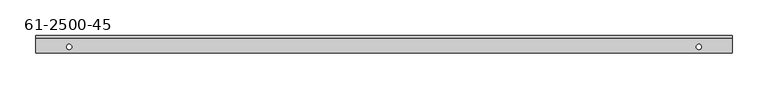
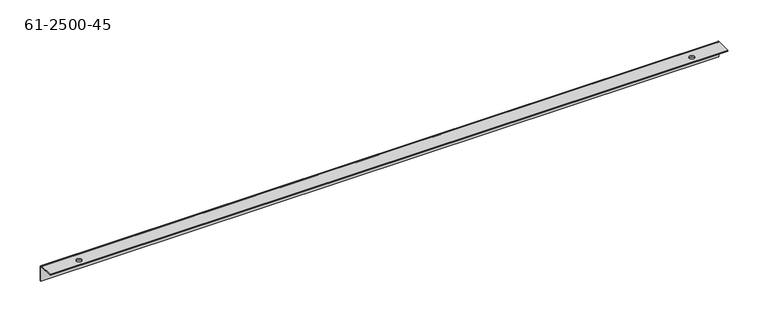
"""IFC4 building model written with IfcOpenShell, lengths in millimetres: proxy geometry, 61-2500-45."""

from ifc_helpers import new_model, si_unit, frame, origin, place, context, project, spatial, polyline, circle_curve, source, transform, mapped, element, save
from ifc_brep_helpers import plane_surface, cylinder_surface, revolved_surface, advanced_brep


def proxy_61_2500_45_d1d3397c(model_context):
    return source(origin(), model_context, "Body", "AdvancedBrep", [
        advanced_brep(
        [(927.0746, 0.2614329, 0.0), (927.0746, 0.2614329, 1.6129), (919.8356, 0.2614329, 1.6129), (919.8356, 0.2614329, 0.0), (49.9364, 0.2614329, 0.0), (49.9364, 0.2614329, 1.6129), (42.6974, 0.2614329, 1.6129), (42.6974, 0.2614329, 0.0), (403.9616, 14.2314329, -12.9446898), (403.9616, 15.8443329, -12.9446898), (400.9136, 15.8443329, -12.9446898), (400.9136, 14.2314329, -12.9446898), (239.0648, 14.2314329, -12.9446898), (239.0648, 15.8443329, -12.9446898), (236.0168, 15.8443329, -12.9446898), (236.0168, 14.2314329, -12.9446898), (74.168, 14.2314329, -12.9446898), (74.168, 15.8443329, -12.9446898), (71.12, 15.8443329, -12.9446898), (71.12, 14.2314329, -12.9446898), (568.8584, 14.2314329, -12.9446898), (568.8584, 15.8443329, -12.9446898), (565.8104, 15.8443329, -12.9446898), (565.8104, 14.2314329, -12.9446898), (733.7552, 14.2314329, -12.9446898), (733.7552, 15.8443329, -12.9446898), (730.7072, 15.8443329, -12.9446898), (730.7072, 14.2314329, -12.9446898), (898.652, 14.2314329, -12.9446898), (898.652, 15.8443329, -12.9446898), (895.604, 15.8443329, -12.9446898), (895.604, 14.2314329, -12.9446898), (969.772, 15.8443329, -1.6129), (0.0, 15.8443329, -1.6129), (0.0, 12.6185329, 1.6129), (969.772, 12.6185329, 1.6129), (0.0, 14.2314329, -1.6129), (969.772, 14.2314329, -1.6129), (969.772, 12.6185329, 0.0), (0.0, 12.6185329, 0.0), (0.0, -8.2856671, 1.6129), (969.772, -8.2856671, 1.6129), (0.0, -8.2856671, 0.0), (969.772, -8.2856671, 0.0), (0.0, 15.8443329, -22.5171), (0.0, 14.2314329, -22.5171), (969.772, 15.8443329, -22.5171), (969.772, 14.2314329, -22.5171)],
        [
            (0, 1),
            (1, 2, circle_curve(frame((923.4551, 0.2614329, 1.6129), z_axis=(0.0, 0.0, 1.0), x_axis=(1.0, 0.0, 0.0)), 3.6195)),
            (2, 3),
            (3, 0, circle_curve(frame((923.4551, 0.2614329, 0.0), z_axis=(0.0, 0.0, -1.0), x_axis=(1.0, 0.0, 0.0)), 3.6195)),
            (4, 5),
            (5, 6, circle_curve(frame((46.3169, 0.2614329, 1.6129), z_axis=(0.0, 0.0, 1.0), x_axis=(1.0, 0.0, 0.0)), 3.6195)),
            (6, 7),
            (7, 4, circle_curve(frame((46.3169, 0.2614329, 0.0), z_axis=(0.0, 0.0, -1.0), x_axis=(1.0, 0.0, 0.0)), 3.6195)),
            (8, 9),
            (9, 10, circle_curve(frame((402.4376, 15.8443329, -12.9446898), z_axis=(0.0, 1.0, 0.0), x_axis=(1.0, 0.0, 0.0)), 1.524)),
            (10, 11),
            (11, 8, circle_curve(frame((402.4376, 14.2314329, -12.9446898), z_axis=(0.0, -1.0, 0.0), x_axis=(1.0, 0.0, 0.0)), 1.524)),
            (12, 13),
            (13, 14, circle_curve(frame((237.5408, 15.8443329, -12.9446898), z_axis=(0.0, 1.0, 0.0), x_axis=(1.0, 0.0, 0.0)), 1.524)),
            (14, 15),
            (15, 12, circle_curve(frame((237.5408, 14.2314329, -12.9446898), z_axis=(0.0, -1.0, 0.0), x_axis=(1.0, 0.0, 0.0)), 1.524)),
            (16, 17),
            (17, 18, circle_curve(frame((72.644, 15.8443329, -12.9446898), z_axis=(0.0, 1.0, 0.0), x_axis=(1.0, 0.0, 0.0)), 1.524)),
            (18, 19),
            (19, 16, circle_curve(frame((72.644, 14.2314329, -12.9446898), z_axis=(0.0, -1.0, 0.0), x_axis=(1.0, 0.0, 0.0)), 1.524)),
            (20, 21),
            (21, 22, circle_curve(frame((567.3344, 15.8443329, -12.9446898), z_axis=(0.0, 1.0, 0.0), x_axis=(1.0, 0.0, 0.0)), 1.524)),
            (22, 23),
            (23, 20, circle_curve(frame((567.3344, 14.2314329, -12.9446898), z_axis=(0.0, -1.0, 0.0), x_axis=(1.0, 0.0, 0.0)), 1.524)),
            (24, 25),
            (25, 26, circle_curve(frame((732.2312, 15.8443329, -12.9446898), z_axis=(0.0, 1.0, 0.0), x_axis=(1.0, 0.0, 0.0)), 1.524)),
            (26, 27),
            (27, 24, circle_curve(frame((732.2312, 14.2314329, -12.9446898), z_axis=(0.0, -1.0, 0.0), x_axis=(1.0, 0.0, 0.0)), 1.524)),
            (28, 29),
            (29, 30, circle_curve(frame((897.128, 15.8443329, -12.9446898), z_axis=(0.0, 1.0, 0.0), x_axis=(1.0, 0.0, 0.0)), 1.524)),
            (30, 31),
            (31, 28, circle_curve(frame((897.128, 14.2314329, -12.9446898), z_axis=(0.0, -1.0, 0.0), x_axis=(1.0, 0.0, 0.0)), 1.524)),
            (28, 31, circle_curve(frame((897.128, 14.2314329, -12.9446898), z_axis=(0.0, -1.0, 0.0), x_axis=(1.0, 0.0, 0.0)), 1.524)),
            (30, 29, circle_curve(frame((897.128, 15.8443329, -12.9446898), z_axis=(0.0, 1.0, 0.0), x_axis=(1.0, 0.0, 0.0)), 1.524)),
            (24, 27, circle_curve(frame((732.2312, 14.2314329, -12.9446898), z_axis=(0.0, -1.0, 0.0), x_axis=(1.0, 0.0, 0.0)), 1.524)),
            (26, 25, circle_curve(frame((732.2312, 15.8443329, -12.9446898), z_axis=(0.0, 1.0, 0.0), x_axis=(1.0, 0.0, 0.0)), 1.524)),
            (20, 23, circle_curve(frame((567.3344, 14.2314329, -12.9446898), z_axis=(0.0, -1.0, 0.0), x_axis=(1.0, 0.0, 0.0)), 1.524)),
            (22, 21, circle_curve(frame((567.3344, 15.8443329, -12.9446898), z_axis=(0.0, 1.0, 0.0), x_axis=(1.0, 0.0, 0.0)), 1.524)),
            (16, 19, circle_curve(frame((72.644, 14.2314329, -12.9446898), z_axis=(0.0, -1.0, 0.0), x_axis=(1.0, 0.0, 0.0)), 1.524)),
            (18, 17, circle_curve(frame((72.644, 15.8443329, -12.9446898), z_axis=(0.0, 1.0, 0.0), x_axis=(1.0, 0.0, 0.0)), 1.524)),
            (12, 15, circle_curve(frame((237.5408, 14.2314329, -12.9446898), z_axis=(0.0, -1.0, 0.0), x_axis=(1.0, 0.0, 0.0)), 1.524)),
            (14, 13, circle_curve(frame((237.5408, 15.8443329, -12.9446898), z_axis=(0.0, 1.0, 0.0), x_axis=(1.0, 0.0, 0.0)), 1.524)),
            (8, 11, circle_curve(frame((402.4376, 14.2314329, -12.9446898), z_axis=(0.0, -1.0, 0.0), x_axis=(1.0, 0.0, 0.0)), 1.524)),
            (10, 9, circle_curve(frame((402.4376, 15.8443329, -12.9446898), z_axis=(0.0, 1.0, 0.0), x_axis=(1.0, 0.0, 0.0)), 1.524)),
            (4, 7, circle_curve(frame((46.3169, 0.2614329, 0.0), z_axis=(0.0, 0.0, -1.0), x_axis=(1.0, 0.0, 0.0)), 3.6195)),
            (6, 5, circle_curve(frame((46.3169, 0.2614329, 1.6129), z_axis=(0.0, 0.0, 1.0), x_axis=(1.0, 0.0, 0.0)), 3.6195)),
            (0, 3, circle_curve(frame((923.4551, 0.2614329, 0.0), z_axis=(0.0, 0.0, -1.0), x_axis=(1.0, 0.0, 0.0)), 3.6195)),
            (2, 1, circle_curve(frame((923.4551, 0.2614329, 1.6129), z_axis=(0.0, 0.0, 1.0), x_axis=(1.0, 0.0, 0.0)), 3.6195)),
            (32, 33),
            (33, 34, circle_curve(frame((0.0, 12.6185329, -1.6129), z_axis=(1.0, 0.0, 0.0), x_axis=(0.0, 0.0, 1.0)), 3.2258)),
            (34, 35),
            (35, 32, circle_curve(frame((969.772, 12.6185329, -1.6129), z_axis=(-1.0, 0.0, 0.0), x_axis=(0.0, 0.0, 1.0)), 3.2258)),
            (36, 37),
            (37, 38, circle_curve(frame((969.772, 12.6185329, -1.6129), z_axis=(1.0, 0.0, 0.0), x_axis=(0.0, 0.0, 1.0)), 1.6129)),
            (38, 39),
            (39, 36, circle_curve(frame((0.0, 12.6185329, -1.6129), z_axis=(-1.0, 0.0, 0.0), x_axis=(0.0, 0.0, 1.0)), 1.6129)),
            (34, 40),
            (40, 41),
            (41, 35),
            (40, 42),
            (42, 43),
            (43, 41),
            (38, 43),
            (42, 39),
            (33, 44),
            (44, 45),
            (45, 36),
            (32, 46),
            (46, 44),
            (37, 47),
            (47, 46),
            (47, 45),
        ],
        [
            revolved_surface(polyline([(927.0746, 0.2614329, 1.6129), (927.0746, 0.2614329, 0.0)]), (923.4551, 0.2614329, 0.80645), (0.0, 0.0, 1.0)),
            revolved_surface(polyline([(49.9364, 0.2614329, 1.6129), (49.9364, 0.2614329, 0.0)]), (46.3169, 0.2614329, 0.80645), (0.0, 0.0, 1.0)),
            revolved_surface(polyline([(403.9616, 15.84433290000004, -12.9446898), (403.9616, 14.231432899999959, -12.9446898)]), (402.4376, -954.5278873, -12.9446898), (0.0, 1.0, 0.0)),
            revolved_surface(polyline([(239.0648, 15.84433290000004, -12.9446898), (239.0648, 14.231432899999959, -12.9446898)]), (237.5408, -954.5278873, -12.9446898), (0.0, 1.0, 0.0)),
            revolved_surface(polyline([(74.168, 15.84433290000004, -12.9446898), (74.168, 14.231432899999959, -12.9446898)]), (72.644, -954.5278873, -12.9446898), (0.0, 1.0, 0.0)),
            revolved_surface(polyline([(568.8584, 15.84433290000004, -12.9446898), (568.8584, 14.231432899999959, -12.9446898)]), (567.3344, -954.5278873, -12.9446898), (0.0, 1.0, 0.0)),
            revolved_surface(polyline([(733.7552, 15.84433290000004, -12.9446898), (733.7552, 14.231432899999959, -12.9446898)]), (732.2312, -954.5278873, -12.9446898), (0.0, 1.0, 0.0)),
            revolved_surface(polyline([(898.652, 15.84433290000004, -12.9446898), (898.652, 14.231432899999959, -12.9446898)]), (897.128, -954.5278873, -12.9446898), (0.0, 1.0, 0.0)),
            cylinder_surface(frame((484.886, 12.6185329, -1.6129), z_axis=(-1.0, 0.0, 0.0), x_axis=(0.0, 0.0, 1.0)), 3.2258),
            revolved_surface(polyline([(0.0, 12.6185329, 0.0), (969.772, 12.6185329, 0.0)]), (484.886, 12.6185329, -1.6129), (-1.0, 0.0, 0.0)),
            plane_surface(frame((484.886, 3.7793329, 1.6129), z_axis=(0.0, 0.0, 1.0), x_axis=(1.0, 0.0, 0.0))),
            plane_surface(frame((969.772, -8.2856671, 0.0), z_axis=(0.0, -1.0, 0.0), x_axis=(0.0, 0.0, -1.0))),
            plane_surface(frame((484.886, 3.7793329, 0.0), z_axis=(0.0, 0.0, -1.0), x_axis=(1.0, 0.0, 0.0))),
            plane_surface(frame((0.0, 15.8443329, -22.5171), z_axis=(-1.0, 0.0, 0.0), x_axis=(0.0, 0.0, 1.0))),
            plane_surface(frame((484.886, 15.8443329, -10.4521), z_axis=(0.0, 1.0, 0.0), x_axis=(0.0, 0.0, 1.0))),
            plane_surface(frame((969.772, 15.8443329, 1.6129), z_axis=(1.0, 0.0, 0.0), x_axis=(0.0, 0.0, -1.0))),
            plane_surface(frame((969.772, 15.8443329, -22.5171), z_axis=(0.0, 0.0, -1.0), x_axis=(-1.0, 0.0, 0.0))),
            plane_surface(frame((484.886, 14.2314329, -10.4521), z_axis=(0.0, -1.0, 0.0), x_axis=(0.0, 0.0, 1.0))),
        ],
        [
            (0, [[1, 2, 3, 4]]),
            (1, [[5, 6, 7, 8]]),
            (2, [[9, 10, 11, 12]]),
            (3, [[13, 14, 15, 16]]),
            (4, [[17, 18, 19, 20]]),
            (5, [[21, 22, 23, 24]]),
            (6, [[25, 26, 27, 28]]),
            (7, [[29, 30, 31, 32]]),
            (7, [[-29, 33, -31, 34]]),
            (6, [[-25, 35, -27, 36]]),
            (5, [[-21, 37, -23, 38]]),
            (4, [[-17, 39, -19, 40]]),
            (3, [[-13, 41, -15, 42]]),
            (2, [[-9, 43, -11, 44]]),
            (1, [[-5, 45, -7, 46]]),
            (0, [[-1, 47, -3, 48]]),
            (8, [[49, 50, 51, 52]]),
            (9, [[53, 54, 55, 56]]),
            (10, [[-51, 57, 58, 59], [-46, -6], [-48, -2]]),
            (11, [[-58, 60, 61, 62]]),
            (12, [[-55, 63, -61, 64], [-4, -47], [-8, -45]]),
            (13, [[65, 66, 67, -56, -64, -60, -57, -50]]),
            (14, [[-49, 68, 69, -65], [-34, -30], [-36, -26], [-38, -22], [-40, -18], [-42, -14], [-44, -10]]),
            (15, [[70, 71, -68, -52, -59, -62, -63, -54]]),
            (16, [[72, -66, -69, -71]]),
            (17, [[-53, -67, -72, -70], [-33, -32], [-35, -28], [-37, -24], [-39, -20], [-41, -16], [-43, -12]]),
        ],
    ),
    ])


if __name__ == "__main__":
    model = new_model("IFC4")
    model_context = context("Model", 3, world=origin())
    ifc_project = project(units=[si_unit("LENGTHUNIT", "METRE", prefix="MILLI")], contexts=[model_context])
    site = spatial("IfcSite", under=ifc_project)
    building = spatial("IfcBuilding", under=site)
    placement = place(None, origin())
    proxy_61_2500_45_shape = proxy_61_2500_45_d1d3397c(model_context)
    element("IfcBuildingElementProxy", 1, Name="61-2500-45", ObjectType="61-2500-45", at=placement, inside=building, context=model_context, shape_type="MappedRepresentation", body=[
        mapped(proxy_61_2500_45_shape, transform((0.0, 0.0, 0.0), x_axis=(1.0, 0.0, 0.0), y_axis=(0.0, 1.0, 0.0), z_axis=(0.0, 0.0, 1.0))),
    ])
    save(model, "model.ifc")
